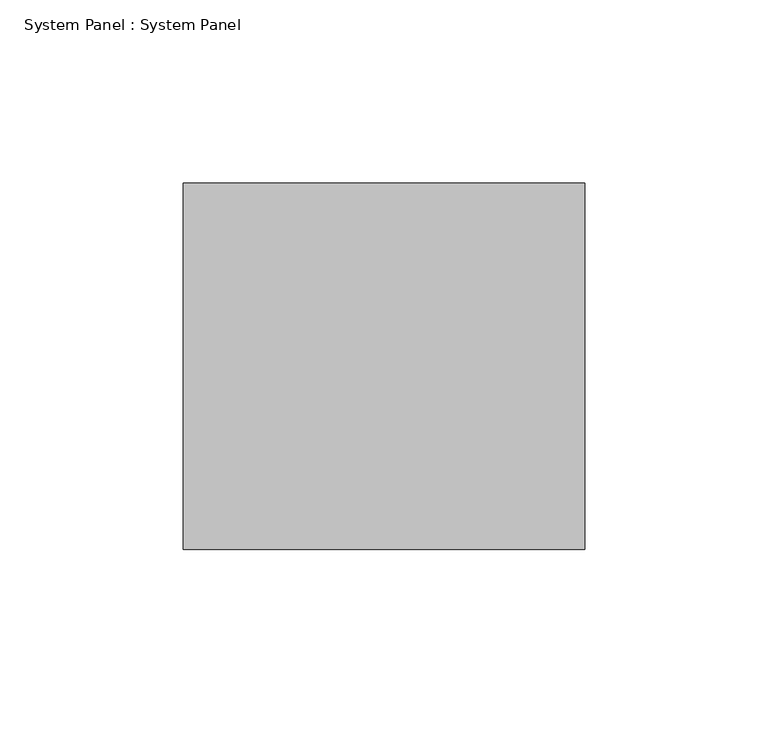
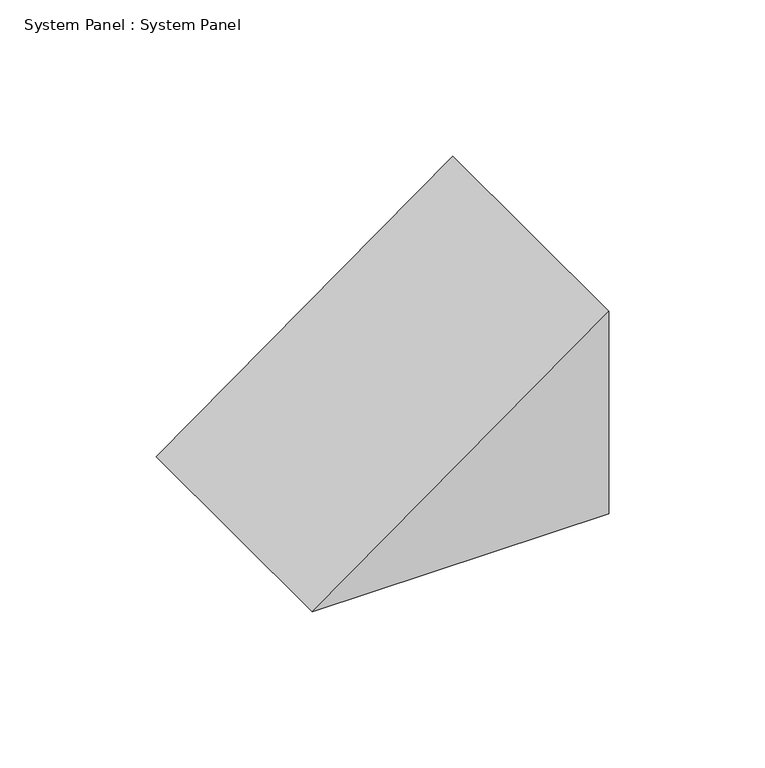
"""IFC4 building model written with IfcOpenShell, lengths in millimetres: plate geometry, System Panel : System Panel."""

from ifc_helpers import new_model, si_unit, point, frame, frame_2d, origin, place, context, project, spatial, polyline, circle_curve, trimmed, segment, composite_curve, outline, extrude, source, transform, mapped, element, save


def system_panel_system_panel_7274ea36(model_context):
    return source(origin(), model_context, "Body", "SweptSolid", [
        extrude(outline(composite_curve([segment(polyline([(0.0, 54.7445091), (79.0028311, 54.7445091)]), True, "CONTINUOUS"), segment(trimmed(circle_curve(frame_2d((-11167.4463993, 8086.4786336)), 13819.9628559), [point((79.0028311, 54.7445091))], [point((0.0, -54.7445091))], False, "CARTESIAN"), True, "CONTINUOUS"), segment(polyline([(0.0, -54.7445091), (0.0, 54.7445091)]), True, "CONTINUOUS")], self_intersect=False)), frame((0.0, -50.0, 0.0), z_axis=(0.0, 1.0, 0.0), x_axis=(0.0, 0.0, 1.0)), (0.0, 0.0, 1.0), 100.0),
    ])


if __name__ == "__main__":
    model = new_model("IFC4")
    model_context = context("Model", 3, world=origin())
    ifc_project = project(units=[si_unit("LENGTHUNIT", "METRE", prefix="MILLI")], contexts=[model_context])
    site = spatial("IfcSite", under=ifc_project)
    building = spatial("IfcBuilding", under=site)
    placement = place(None, origin())
    system_panel_system_panel_shape = system_panel_system_panel_7274ea36(model_context)
    element("IfcPlate", 1, ObjectType="System Panel : System Panel", at=placement, inside=building, context=model_context, shape_type="MappedRepresentation", body=[
        mapped(system_panel_system_panel_shape, transform((0.0, 0.0, 0.0), x_axis=(1.0, 0.0, 0.0), y_axis=(0.0, 1.0, 0.0), z_axis=(0.0, 0.0, 1.0))),
    ])
    save(model, "model.ifc")
